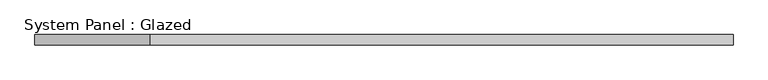
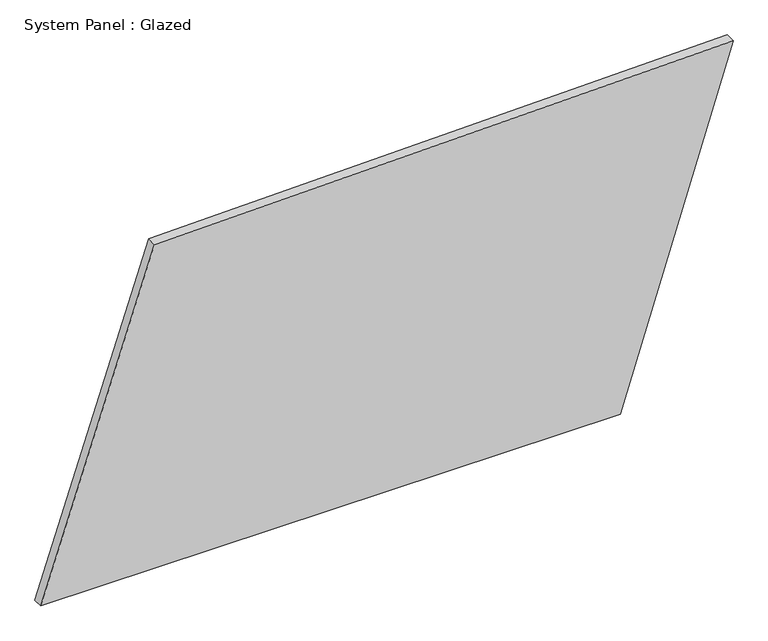
"""IFC4 building model written with IfcOpenShell, lengths in millimetres: plate geometry, System Panel : Glazed."""

import ifcopenshell
import ifcopenshell.guid

model = None  # the IFC model being written
_history = None  # IfcOwnerHistory: only IFC2X3 demands one
_inside = {}  # id of a spatial element -> (the spatial element, [elements in it])
_under = {}  # id of a project, library or spatial element -> (it, [spatial elements below it])
_declared = {}  # id of a project -> (the project, [libraries it declares])
_typed = {}  # id of a type object -> (the type object, [elements of that type])
_made_of = {}  # id of a material, layer set ... -> (it, [elements and type objects made of it])


def new_model(schema):
    """Start an empty IFC model of exactly this schema.

    Asked for "IFC4X3", IfcOpenShell would pick the latest addendum, in which some entities
    have other attributes; the version numbers below select the first issue.
    IFC2X3 requires an IfcOwnerHistory on every rooted entity: one is made here for all.
    """
    global model, _history
    if schema == "IFC4X3":
        model = ifcopenshell.file(schema_version=(4, 3, 0, 0))
    else:
        model = ifcopenshell.file(schema=schema)
    _inside.clear()
    _under.clear()
    _declared.clear()
    _typed.clear()
    _made_of.clear()
    _history = None
    if model.schema == "IFC2X3":
        org = make("IfcOrganization", Name="unknown")
        user = make(
            "IfcPersonAndOrganization",
            ThePerson=make("IfcPerson", FamilyName="unknown"),
            TheOrganization=org,
        )
        app = make(
            "IfcApplication",
            ApplicationDeveloper=org,
            Version="unknown",
            ApplicationFullName="unknown",
            ApplicationIdentifier="unknown",
        )
        _history = make(
            "IfcOwnerHistory",
            OwningUser=user,
            OwningApplication=app,
            ChangeAction="ADDED",
            CreationDate=0,
        )
    return model


def make(cls, **values):
    """One entity of the class cls with the attributes given. An attribute that is None is left unset."""
    return model.create_entity(
        cls, **{name: value for name, value in values.items() if value is not None}
    )


def rooted(cls, **values):
    """An entity with a GlobalId (a new one), such as an element, a storey or a relation."""
    return make(cls, GlobalId=ifcopenshell.guid.new(), OwnerHistory=_history, **values)


def si_unit(unit_type, name, prefix=None):
    """IfcSIUnit, for example si_unit("LENGTHUNIT", "METRE", prefix="MILLI")."""
    return make("IfcSIUnit", UnitType=unit_type, Prefix=prefix, Name=name)


def assignment(units):
    """IfcUnitAssignment: the units of a project."""
    return None if units is None else make("IfcUnitAssignment", Units=units)


def point(xyz):
    """IfcCartesianPoint."""
    return None if xyz is None else make("IfcCartesianPoint", Coordinates=xyz)


def direction(xyz):
    """IfcDirection."""
    return None if xyz is None else make("IfcDirection", DirectionRatios=xyz)


def frame(location, z_axis=None, x_axis=None):
    """IfcAxis2Placement3D, a coordinate frame: its origin and axes. An axis left out is left unset."""
    return make(
        "IfcAxis2Placement3D",
        Location=point(location),
        Axis=direction(z_axis),
        RefDirection=direction(x_axis),
    )


def origin():
    """The frame at (0, 0, 0) with its axes left unset."""
    return frame((0.0, 0.0, 0.0))


def place(relative_to, where):
    """IfcLocalPlacement: puts the frame where relative to a parent placement (None: the world)."""
    return make(
        "IfcLocalPlacement", PlacementRelTo=relative_to, RelativePlacement=where
    )


def context(
    kind, dimensions, precision=None, world=None, true_north=None, identifier=None
):
    """IfcGeometricRepresentationContext, for example the 3D "Model" context."""
    return make(
        "IfcGeometricRepresentationContext",
        ContextIdentifier=identifier,
        ContextType=kind,
        CoordinateSpaceDimension=dimensions,
        Precision=precision,
        WorldCoordinateSystem=world,
        TrueNorth=true_north,
    )


def project(units=None, contexts=None):
    """IfcProject with its units and contexts."""
    return rooted(
        "IfcProject",
        Name="project",
        RepresentationContexts=contexts,
        UnitsInContext=assignment(units),
    )


def spatial(cls, under=None, at=None, **own):
    """A site, building, storey or space (cls), placed at a placement, below another one or the project."""
    s = rooted(cls, ObjectPlacement=at, **own)
    if under is not None:
        _under.setdefault(under.id(), (under, []))[1].append(s)
    return s


def polyline(points):
    """IfcPolyline through the points."""
    return make("IfcPolyline", Points=[point(p) for p in points])


def outline(outer, holes=None, kind="AREA"):
    """IfcArbitraryClosedProfileDef: a profile drawn as a closed curve; with holes, ...WithVoids."""
    if holes is None:
        return make("IfcArbitraryClosedProfileDef", ProfileType=kind, OuterCurve=outer)
    return make(
        "IfcArbitraryProfileDefWithVoids",
        ProfileType=kind,
        OuterCurve=outer,
        InnerCurves=holes,
    )


def extrude(swept, where, along, depth):
    """IfcExtrudedAreaSolid: the profile swept, set in the frame where, extruded along a direction by depth."""
    return make(
        "IfcExtrudedAreaSolid",
        SweptArea=swept,
        Position=where,
        ExtrudedDirection=direction(along),
        Depth=depth,
    )


def shape(context_of_items, identifier, shape_type, items):
    """IfcShapeRepresentation: the items that make up one representation, for example the "Body"."""
    return make(
        "IfcShapeRepresentation",
        ContextOfItems=context_of_items,
        RepresentationIdentifier=identifier,
        RepresentationType=shape_type,
        Items=items,
    )


def source(mapping_origin, context_of_items, identifier, shape_type, items):
    """IfcRepresentationMap: a shape defined once, which mapped items show again and again."""
    return make(
        "IfcRepresentationMap",
        MappingOrigin=mapping_origin,
        MappedRepresentation=shape(context_of_items, identifier, shape_type, items),
    )


def transform(
    local_origin,
    x_axis=None,
    y_axis=None,
    z_axis=None,
    scale=None,
    scale2=None,
    scale3=None,
    uniform=True,
):
    """IfcCartesianTransformationOperator3D, or its non-uniform kind. x_axis, y_axis, z_axis: its Axis1, 2, 3."""
    if uniform:
        return make(
            "IfcCartesianTransformationOperator3D",
            Axis1=direction(x_axis),
            Axis2=direction(y_axis),
            LocalOrigin=point(local_origin),
            Scale=scale,
            Axis3=direction(z_axis),
        )
    return make(
        "IfcCartesianTransformationOperator3DnonUniform",
        Axis1=direction(x_axis),
        Axis2=direction(y_axis),
        LocalOrigin=point(local_origin),
        Scale=scale,
        Axis3=direction(z_axis),
        Scale2=scale2,
        Scale3=scale3,
    )


def mapped(mapping_source, mapping_target):
    """IfcMappedItem: shows the shape of a source again, moved by a transform."""
    return make(
        "IfcMappedItem", MappingSource=mapping_source, MappingTarget=mapping_target
    )


def made_of(thing, what):
    """Note that an element or type object is made of a material, layer set ...; save() writes the relation."""
    if what is not None:
        _made_of.setdefault(what.id(), (what, []))[1].append(thing)
    return thing


def element(
    cls,
    number,
    at=None,
    inside=None,
    cuts=None,
    type_object=None,
    material=None,
    context=None,
    identifier="Body",
    shape_type=None,
    held_by="IfcProductDefinitionShape",
    body=None,
    shapes=None,
    **own,
):
    """One element of the class cls, such as IfcWall. Its Tag is "e" and its number.

    at: its placement. inside: the storey or other place that contains it. cuts: it is an
    opening in that element (IfcRelVoidsElement). A single representation is given by context,
    identifier, shape_type and body (its items); several are given by shapes. held_by: the class
    of the entity that holds the representations. save() writes the other relations.
    """
    e = rooted(cls, Tag="e%d" % number, ObjectPlacement=at, **own)
    if body is not None:
        shapes = [shape(context, identifier, shape_type, body)]
    if shapes is not None:
        e.Representation = make(held_by, Representations=shapes)
    if inside is not None:
        _inside.setdefault(inside.id(), (inside, []))[1].append(e)
    if cuts is not None:
        rooted(
            "IfcRelVoidsElement", RelatingBuildingElement=cuts, RelatedOpeningElement=e
        )
    if type_object is not None:
        _typed.setdefault(type_object.id(), (type_object, []))[1].append(e)
    return made_of(e, material)


def aggregate(whole, parts):
    """IfcRelAggregates: a whole, such as a stair, and the parts it consists of."""
    return rooted("IfcRelAggregates", RelatingObject=whole, RelatedObjects=parts)


def save(model, path):
    """Write the relations noted so far, then the file.

    IfcRelAggregates (storeys below a building ...), IfcRelContainedInSpatialStructure (elements
    in a storey), IfcRelDefinesByType, IfcRelAssociatesMaterial and IfcRelDeclares: one each for
    every whole, place, type object, material and project.
    """
    for whole, parts in _under.values():
        aggregate(whole, parts)
    for where, things in _inside.values():
        rooted(
            "IfcRelContainedInSpatialStructure",
            RelatedElements=things,
            RelatingStructure=where,
        )
    for kind, things in _typed.values():
        rooted("IfcRelDefinesByType", RelatedObjects=things, RelatingType=kind)
    for what, things in _made_of.values():
        rooted("IfcRelAssociatesMaterial", RelatedObjects=things, RelatingMaterial=what)
    for by, libraries in _declared.values():
        rooted("IfcRelDeclares", RelatingContext=by, RelatedDefinitions=libraries)
    model.write(path)


def system_panel_glazed_374141df(model_context):
    return source(origin(), model_context, "Body", "SweptSolid", [
        extrude(outline(polyline([(0.0, -859.4032675), (0.0, 579.2703348), (881.7373015, 859.4032675), (849.7334502, -577.1911166), (0.0, -859.4032675)])), frame((0.0, -49.5, 0.0), z_axis=(0.0, 1.0, 0.0), x_axis=(0.0, 0.0, 1.0)), (0.0, 0.0, 1.0), 25.0),
    ])


if __name__ == "__main__":
    model = new_model("IFC4")
    model_context = context("Model", 3, world=origin())
    ifc_project = project(units=[si_unit("LENGTHUNIT", "METRE", prefix="MILLI")], contexts=[model_context])
    site = spatial("IfcSite", under=ifc_project)
    building = spatial("IfcBuilding", under=site)
    placement = place(None, origin())
    system_panel_glazed_shape = system_panel_glazed_374141df(model_context)
    element("IfcPlate", 1, ObjectType="System Panel : Glazed", at=placement, inside=building, context=model_context, shape_type="MappedRepresentation", body=[
        mapped(system_panel_glazed_shape, transform((0.0, 0.0, 0.0), x_axis=(1.0, 0.0, 0.0), y_axis=(0.0, 1.0, 0.0), z_axis=(0.0, 0.0, 1.0))),
    ])
    save(model, "model.ifc")
